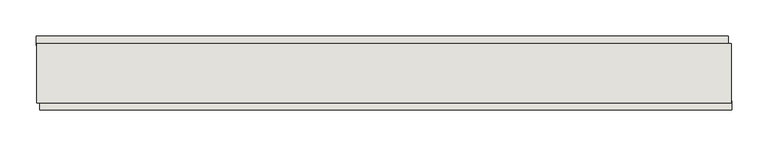
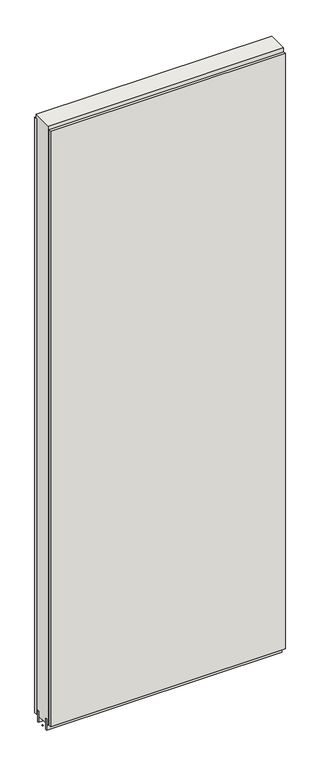
"""IFC4 building model written with IfcOpenShell, lengths in millimetres: wall geometry."""

from ifc_helpers import new_model, si_unit, frame, origin, place, context, project, spatial, polyline, outline, extrude, source, transform, mapped, element, save


def wall_f02f7be3(model_context):
    return source(origin(), model_context, "Body", "SweptSolid", [
        extrude(outline(polyline([(73340.055504, -39417.0036398), (73337.515504, -39417.0036398), (73337.515504, -39414.4636398), (73340.055504, -39414.4636398), (73340.055504, -39417.0036398)])), frame((0.0, 0.0, 4419.6), z_axis=(0.0, 0.0, 1.0), x_axis=(1.0, 0.0, 0.0)), (0.0, 0.0, 1.0), 2.54),
        extrude(outline(polyline([(73337.0495029, -39364.9336398), (74286.7831127, -39364.9336398), (74286.7831127, -39377.6336398), (73337.0495029, -39377.6336398), (73337.0495029, -39364.9336398)])), frame((0.0, 0.0, 4445.0), z_axis=(0.0, 0.0, 1.0), x_axis=(1.0, 0.0, 0.0)), (0.0, 0.0, 1.0), 2545.0498756),
        extrude(outline(polyline([(74291.7130495, -39466.5336398), (73341.9794397, -39466.5336398), (73341.9794397, -39453.8336398), (74291.7130495, -39453.8336398), (74291.7130495, -39466.5336398)])), frame((0.0, 0.0, 4445.0), z_axis=(0.0, 0.0, 1.0), x_axis=(1.0, 0.0, 0.0)), (0.0, 0.0, 1.0), 2545.0498756),
        extrude(outline(polyline([(74291.2420954, -39390.6498952), (73337.520457, -39390.6498952), (73337.520457, -39385.5711398), (74291.2420954, -39385.5711398), (74291.2420954, -39390.6498952)])), frame((0.0, 0.0, 4418.6602), z_axis=(0.0, 0.0, 1.0), x_axis=(1.0, 0.0, 0.0)), (0.0, 0.0, 1.0), 47.625),
        extrude(outline(polyline([(74291.2420954, -39390.6498952), (73337.520457, -39390.6498952), (73337.520457, -39385.5711398), (74291.2420954, -39385.5711398), (74291.2420954, -39390.6498952)])), frame((0.0, 0.0, 4418.6602), z_axis=(0.0, 0.0, 1.0), x_axis=(1.0, 0.0, 0.0)), (0.0, 0.0, 1.0), 47.625),
        extrude(outline(polyline([(73337.520457, -39440.8142856), (74291.2420954, -39440.8142856), (74291.2420954, -39445.8961398), (73337.520457, -39445.8961398), (73337.520457, -39440.8142856)])), frame((0.0, 0.0, 4418.6602), z_axis=(0.0, 0.0, 1.0), x_axis=(1.0, 0.0, 0.0)), (0.0, 0.0, 1.0), 47.625),
        extrude(outline(polyline([(73337.520457, -39440.8142856), (74291.2420954, -39440.8142856), (74291.2420954, -39445.8961398), (73337.520457, -39445.8961398), (73337.520457, -39440.8142856)])), frame((0.0, 0.0, 4418.6602), z_axis=(0.0, 0.0, 1.0), x_axis=(1.0, 0.0, 0.0)), (0.0, 0.0, 1.0), 47.625),
        extrude(outline(polyline([(74291.2420954, -39375.10667), (74291.2420954, -39456.3854254), (73337.520457, -39456.3854254), (73337.520457, -39375.10667), (74291.2420954, -39375.10667)])), frame((0.0, 0.0, 4445.0), z_axis=(0.0, 0.0, 1.0), x_axis=(1.0, 0.0, 0.0)), (0.0, 0.0, 1.0), 2562.4536762),
    ])


if __name__ == "__main__":
    model = new_model("IFC4")
    model_context = context("Model", 3, world=origin())
    ifc_project = project(units=[si_unit("LENGTHUNIT", "METRE", prefix="MILLI")], contexts=[model_context])
    site = spatial("IfcSite", under=ifc_project)
    building = spatial("IfcBuilding", under=site)
    placement = place(None, origin())
    wall_shape = wall_f02f7be3(model_context)
    element("IfcWall", 1, at=placement, inside=building, context=model_context, shape_type="MappedRepresentation", body=[
        mapped(wall_shape, transform((0.0, 0.0, 0.0), x_axis=(1.0, 0.0, 0.0), y_axis=(0.0, 1.0, 0.0), z_axis=(0.0, 0.0, 1.0))),
    ])
    save(model, "model.ifc")
